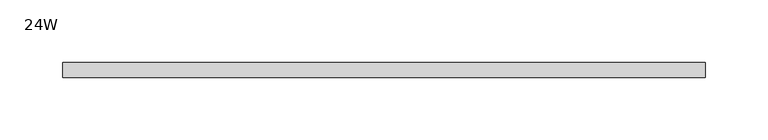
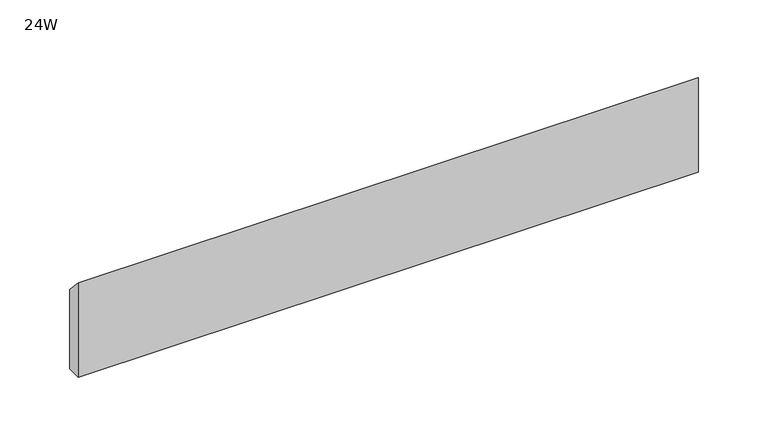
"""IFC4 building model written with IfcOpenShell, lengths in millimetres: furniture geometry, 24W."""

import ifcopenshell
import ifcopenshell.guid

model = None  # the IFC model being written
_history = None  # IfcOwnerHistory: only IFC2X3 demands one
_inside = {}  # id of a spatial element -> (the spatial element, [elements in it])
_under = {}  # id of a project, library or spatial element -> (it, [spatial elements below it])
_declared = {}  # id of a project -> (the project, [libraries it declares])
_typed = {}  # id of a type object -> (the type object, [elements of that type])
_made_of = {}  # id of a material, layer set ... -> (it, [elements and type objects made of it])


def new_model(schema):
    """Start an empty IFC model of exactly this schema.

    Asked for "IFC4X3", IfcOpenShell would pick the latest addendum, in which some entities
    have other attributes; the version numbers below select the first issue.
    IFC2X3 requires an IfcOwnerHistory on every rooted entity: one is made here for all.
    """
    global model, _history
    if schema == "IFC4X3":
        model = ifcopenshell.file(schema_version=(4, 3, 0, 0))
    else:
        model = ifcopenshell.file(schema=schema)
    _inside.clear()
    _under.clear()
    _declared.clear()
    _typed.clear()
    _made_of.clear()
    _history = None
    if model.schema == "IFC2X3":
        org = make("IfcOrganization", Name="unknown")
        user = make(
            "IfcPersonAndOrganization",
            ThePerson=make("IfcPerson", FamilyName="unknown"),
            TheOrganization=org,
        )
        app = make(
            "IfcApplication",
            ApplicationDeveloper=org,
            Version="unknown",
            ApplicationFullName="unknown",
            ApplicationIdentifier="unknown",
        )
        _history = make(
            "IfcOwnerHistory",
            OwningUser=user,
            OwningApplication=app,
            ChangeAction="ADDED",
            CreationDate=0,
        )
    return model


def make(cls, **values):
    """One entity of the class cls with the attributes given. An attribute that is None is left unset."""
    return model.create_entity(
        cls, **{name: value for name, value in values.items() if value is not None}
    )


def rooted(cls, **values):
    """An entity with a GlobalId (a new one), such as an element, a storey or a relation."""
    return make(cls, GlobalId=ifcopenshell.guid.new(), OwnerHistory=_history, **values)


def si_unit(unit_type, name, prefix=None):
    """IfcSIUnit, for example si_unit("LENGTHUNIT", "METRE", prefix="MILLI")."""
    return make("IfcSIUnit", UnitType=unit_type, Prefix=prefix, Name=name)


def assignment(units):
    """IfcUnitAssignment: the units of a project."""
    return None if units is None else make("IfcUnitAssignment", Units=units)


def point(xyz):
    """IfcCartesianPoint."""
    return None if xyz is None else make("IfcCartesianPoint", Coordinates=xyz)


def direction(xyz):
    """IfcDirection."""
    return None if xyz is None else make("IfcDirection", DirectionRatios=xyz)


def frame(location, z_axis=None, x_axis=None):
    """IfcAxis2Placement3D, a coordinate frame: its origin and axes. An axis left out is left unset."""
    return make(
        "IfcAxis2Placement3D",
        Location=point(location),
        Axis=direction(z_axis),
        RefDirection=direction(x_axis),
    )


def origin():
    """The frame at (0, 0, 0) with its axes left unset."""
    return frame((0.0, 0.0, 0.0))


def place(relative_to, where):
    """IfcLocalPlacement: puts the frame where relative to a parent placement (None: the world)."""
    return make(
        "IfcLocalPlacement", PlacementRelTo=relative_to, RelativePlacement=where
    )


def context(
    kind, dimensions, precision=None, world=None, true_north=None, identifier=None
):
    """IfcGeometricRepresentationContext, for example the 3D "Model" context."""
    return make(
        "IfcGeometricRepresentationContext",
        ContextIdentifier=identifier,
        ContextType=kind,
        CoordinateSpaceDimension=dimensions,
        Precision=precision,
        WorldCoordinateSystem=world,
        TrueNorth=true_north,
    )


def project(units=None, contexts=None):
    """IfcProject with its units and contexts."""
    return rooted(
        "IfcProject",
        Name="project",
        RepresentationContexts=contexts,
        UnitsInContext=assignment(units),
    )


def spatial(cls, under=None, at=None, **own):
    """A site, building, storey or space (cls), placed at a placement, below another one or the project."""
    s = rooted(cls, ObjectPlacement=at, **own)
    if under is not None:
        _under.setdefault(under.id(), (under, []))[1].append(s)
    return s


def polyline(points):
    """IfcPolyline through the points."""
    return make("IfcPolyline", Points=[point(p) for p in points])


def outline(outer, holes=None, kind="AREA"):
    """IfcArbitraryClosedProfileDef: a profile drawn as a closed curve; with holes, ...WithVoids."""
    if holes is None:
        return make("IfcArbitraryClosedProfileDef", ProfileType=kind, OuterCurve=outer)
    return make(
        "IfcArbitraryProfileDefWithVoids",
        ProfileType=kind,
        OuterCurve=outer,
        InnerCurves=holes,
    )


def extrude(swept, where, along, depth):
    """IfcExtrudedAreaSolid: the profile swept, set in the frame where, extruded along a direction by depth."""
    return make(
        "IfcExtrudedAreaSolid",
        SweptArea=swept,
        Position=where,
        ExtrudedDirection=direction(along),
        Depth=depth,
    )


def shape(context_of_items, identifier, shape_type, items):
    """IfcShapeRepresentation: the items that make up one representation, for example the "Body"."""
    return make(
        "IfcShapeRepresentation",
        ContextOfItems=context_of_items,
        RepresentationIdentifier=identifier,
        RepresentationType=shape_type,
        Items=items,
    )


def source(mapping_origin, context_of_items, identifier, shape_type, items):
    """IfcRepresentationMap: a shape defined once, which mapped items show again and again."""
    return make(
        "IfcRepresentationMap",
        MappingOrigin=mapping_origin,
        MappedRepresentation=shape(context_of_items, identifier, shape_type, items),
    )


def transform(
    local_origin,
    x_axis=None,
    y_axis=None,
    z_axis=None,
    scale=None,
    scale2=None,
    scale3=None,
    uniform=True,
):
    """IfcCartesianTransformationOperator3D, or its non-uniform kind. x_axis, y_axis, z_axis: its Axis1, 2, 3."""
    if uniform:
        return make(
            "IfcCartesianTransformationOperator3D",
            Axis1=direction(x_axis),
            Axis2=direction(y_axis),
            LocalOrigin=point(local_origin),
            Scale=scale,
            Axis3=direction(z_axis),
        )
    return make(
        "IfcCartesianTransformationOperator3DnonUniform",
        Axis1=direction(x_axis),
        Axis2=direction(y_axis),
        LocalOrigin=point(local_origin),
        Scale=scale,
        Axis3=direction(z_axis),
        Scale2=scale2,
        Scale3=scale3,
    )


def mapped(mapping_source, mapping_target):
    """IfcMappedItem: shows the shape of a source again, moved by a transform."""
    return make(
        "IfcMappedItem", MappingSource=mapping_source, MappingTarget=mapping_target
    )


def made_of(thing, what):
    """Note that an element or type object is made of a material, layer set ...; save() writes the relation."""
    if what is not None:
        _made_of.setdefault(what.id(), (what, []))[1].append(thing)
    return thing


def element(
    cls,
    number,
    at=None,
    inside=None,
    cuts=None,
    type_object=None,
    material=None,
    context=None,
    identifier="Body",
    shape_type=None,
    held_by="IfcProductDefinitionShape",
    body=None,
    shapes=None,
    **own,
):
    """One element of the class cls, such as IfcWall. Its Tag is "e" and its number.

    at: its placement. inside: the storey or other place that contains it. cuts: it is an
    opening in that element (IfcRelVoidsElement). A single representation is given by context,
    identifier, shape_type and body (its items); several are given by shapes. held_by: the class
    of the entity that holds the representations. save() writes the other relations.
    """
    e = rooted(cls, Tag="e%d" % number, ObjectPlacement=at, **own)
    if body is not None:
        shapes = [shape(context, identifier, shape_type, body)]
    if shapes is not None:
        e.Representation = make(held_by, Representations=shapes)
    if inside is not None:
        _inside.setdefault(inside.id(), (inside, []))[1].append(e)
    if cuts is not None:
        rooted(
            "IfcRelVoidsElement", RelatingBuildingElement=cuts, RelatedOpeningElement=e
        )
    if type_object is not None:
        _typed.setdefault(type_object.id(), (type_object, []))[1].append(e)
    return made_of(e, material)


def aggregate(whole, parts):
    """IfcRelAggregates: a whole, such as a stair, and the parts it consists of."""
    return rooted("IfcRelAggregates", RelatingObject=whole, RelatedObjects=parts)


def save(model, path):
    """Write the relations noted so far, then the file.

    IfcRelAggregates (storeys below a building ...), IfcRelContainedInSpatialStructure (elements
    in a storey), IfcRelDefinesByType, IfcRelAssociatesMaterial and IfcRelDeclares: one each for
    every whole, place, type object, material and project.
    """
    for whole, parts in _under.values():
        aggregate(whole, parts)
    for where, things in _inside.values():
        rooted(
            "IfcRelContainedInSpatialStructure",
            RelatedElements=things,
            RelatingStructure=where,
        )
    for kind, things in _typed.values():
        rooted("IfcRelDefinesByType", RelatedObjects=things, RelatingType=kind)
    for what, things in _made_of.values():
        rooted("IfcRelAssociatesMaterial", RelatedObjects=things, RelatingMaterial=what)
    for by, libraries in _declared.values():
        rooted("IfcRelDeclares", RelatingContext=by, RelatedDefinitions=libraries)
    model.write(path)


def furniture_24w_ccd12402(model_context):
    return source(origin(), model_context, "Body", "SweptSolid", [
        extrude(outline(polyline([(-11.938, 977.1634), (-11.938, 1059.7134), (0.0, 1047.0134), (0.0, 977.1634), (-11.938, 977.1634)])), frame((48.006, 0.0, 0.0), z_axis=(1.0, 0.0, 0.0), x_axis=(0.0, 1.0, 0.0)), (0.0, 0.0, 1.0), 513.588),
    ])


if __name__ == "__main__":
    model = new_model("IFC4")
    model_context = context("Model", 3, world=origin())
    ifc_project = project(units=[si_unit("LENGTHUNIT", "METRE", prefix="MILLI")], contexts=[model_context])
    site = spatial("IfcSite", under=ifc_project)
    building = spatial("IfcBuilding", under=site)
    placement = place(None, origin())
    furniture_24w_shape = furniture_24w_ccd12402(model_context)
    element("IfcFurniture", 1, ObjectType="24W", at=placement, inside=building, context=model_context, shape_type="MappedRepresentation", body=[
        mapped(furniture_24w_shape, transform((0.0, 0.0, 0.0), x_axis=(1.0, 0.0, 0.0), y_axis=(0.0, 1.0, 0.0), z_axis=(0.0, 0.0, 1.0))),
    ])
    save(model, "model.ifc")
